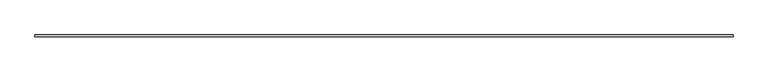
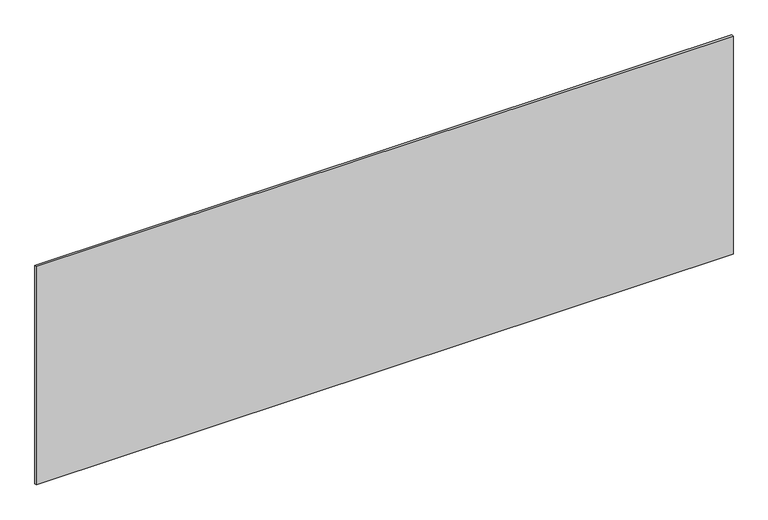
"""IFC4 building model written with IfcOpenShell, lengths in millimetres: plate geometry."""

from ifc_helpers import new_model, si_unit, origin, origin_with_axes, place, context, project, spatial, polyline, outline, extrude, source, transform, mapped, element, save


def plate_2cf444ee(model_context):
    return source(origin(), model_context, "Body", "SweptSolid", [
        extrude(outline(polyline([(1715.0, -5.0), (-1715.0, -5.0), (-1715.0, 5.0), (1715.0, 5.0), (1715.0, -5.0)])), origin_with_axes(), (0.0, 0.0, 1.0), 1135.9894365),
    ])


if __name__ == "__main__":
    model = new_model("IFC4")
    model_context = context("Model", 3, world=origin())
    ifc_project = project(units=[si_unit("LENGTHUNIT", "METRE", prefix="MILLI")], contexts=[model_context])
    site = spatial("IfcSite", under=ifc_project)
    building = spatial("IfcBuilding", under=site)
    placement = place(None, origin())
    plate_shape = plate_2cf444ee(model_context)
    element("IfcPlate", 1, at=placement, inside=building, context=model_context, shape_type="MappedRepresentation", body=[
        mapped(plate_shape, transform((0.0, 0.0, 0.0), x_axis=(1.0, 0.0, 0.0), y_axis=(0.0, 1.0, 0.0), z_axis=(0.0, 0.0, 1.0))),
    ])
    save(model, "model.ifc")
